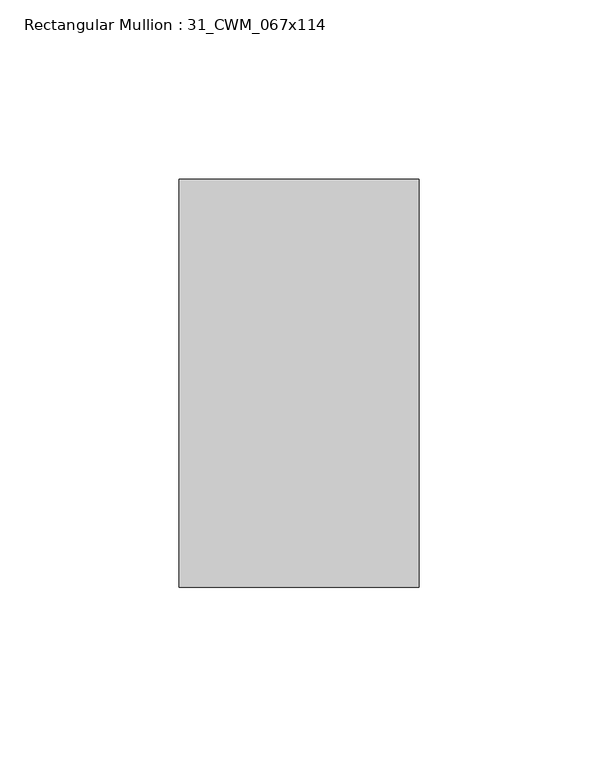
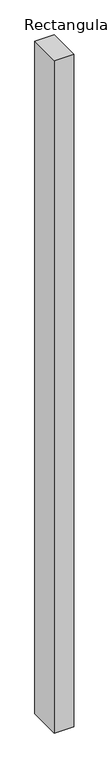
"""IFC4 building model written with IfcOpenShell, lengths in millimetres: member geometry, Rectangular Mullion : 31_CWM_067x114."""

from ifc_helpers import new_model, si_unit, frame, origin, place, context, project, spatial, polyline, outline, extrude, source, transform, mapped, element, save


def rectangular_mullion_31_cwm_067x114_8b18c902(model_context):
    return source(origin(), model_context, "Body", "SweptSolid", [
        extrude(outline(polyline([(0.0, 0.0), (0.0, -114.0), (-67.0, -114.0), (-67.0, 0.0), (0.0, 0.0)])), frame((0.0, 0.0, -2433.0), z_axis=(0.0, 0.0, 1.0), x_axis=(1.0, 0.0, 0.0)), (0.0, 0.0, 1.0), 2433.0),
    ])


if __name__ == "__main__":
    model = new_model("IFC4")
    model_context = context("Model", 3, world=origin())
    ifc_project = project(units=[si_unit("LENGTHUNIT", "METRE", prefix="MILLI")], contexts=[model_context])
    site = spatial("IfcSite", under=ifc_project)
    building = spatial("IfcBuilding", under=site)
    placement = place(None, origin())
    rectangular_mullion_31_cwm_067x114_shape = rectangular_mullion_31_cwm_067x114_8b18c902(model_context)
    element("IfcMember", 1, ObjectType="Rectangular Mullion : 31_CWM_067x114", at=placement, inside=building, context=model_context, shape_type="MappedRepresentation", body=[
        mapped(rectangular_mullion_31_cwm_067x114_shape, transform((0.0, 0.0, 0.0), x_axis=(1.0, 0.0, 0.0), y_axis=(0.0, 1.0, 0.0), z_axis=(0.0, 0.0, 1.0))),
    ])
    save(model, "model.ifc")
